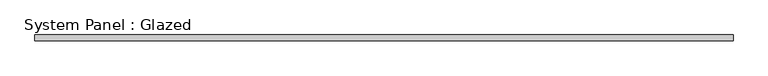
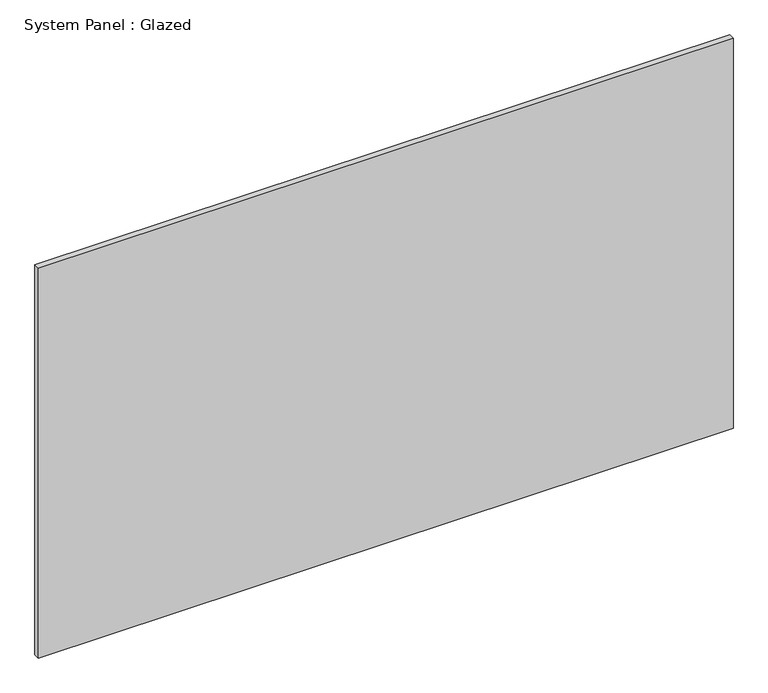
"""IFC4 building model written with IfcOpenShell, lengths in millimetres: plate geometry, System Panel : Glazed."""

from ifc_helpers import new_model, si_unit, origin, origin_with_axes, place, context, project, spatial, polyline, outline, extrude, source, transform, mapped, element, save


def system_panel_glazed_5d50003f(model_context):
    return source(origin(), model_context, "Body", "SweptSolid", [
        extrude(outline(polyline([(1461.77, 19.05), (-1461.77, 19.05), (-1461.77, 44.45), (1461.77, 44.45), (1461.77, 19.05)])), origin_with_axes(), (0.0, 0.0, 1.0), 1733.55),
    ])


if __name__ == "__main__":
    model = new_model("IFC4")
    model_context = context("Model", 3, world=origin())
    ifc_project = project(units=[si_unit("LENGTHUNIT", "METRE", prefix="MILLI")], contexts=[model_context])
    site = spatial("IfcSite", under=ifc_project)
    building = spatial("IfcBuilding", under=site)
    placement = place(None, origin())
    system_panel_glazed_shape = system_panel_glazed_5d50003f(model_context)
    element("IfcPlate", 1, ObjectType="System Panel : Glazed", at=placement, inside=building, context=model_context, shape_type="MappedRepresentation", body=[
        mapped(system_panel_glazed_shape, transform((0.0, 0.0, 0.0), x_axis=(1.0, 0.0, 0.0), y_axis=(0.0, 1.0, 0.0), z_axis=(0.0, 0.0, 1.0))),
    ])
    save(model, "model.ifc")
